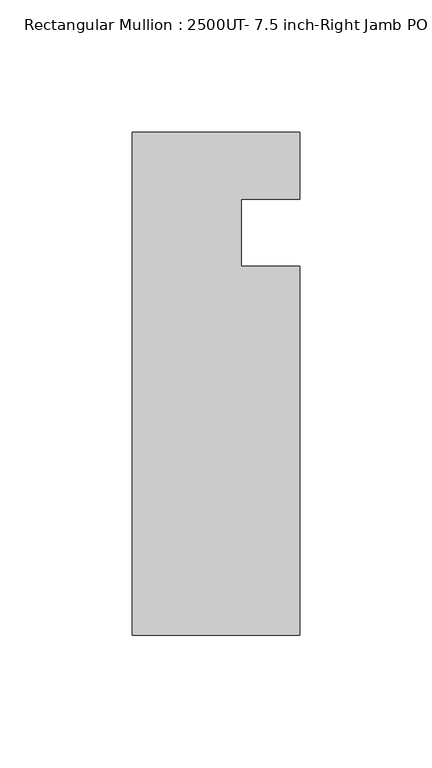
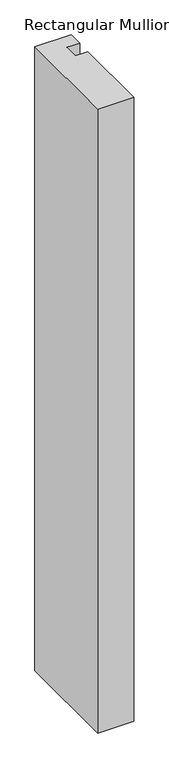
"""IFC4 building model written with IfcOpenShell, lengths in millimetres: member geometry, Rectangular Mullion : 2500UT- 7.5 inch-Right Jamb PO Mullion."""

from ifc_helpers import new_model, si_unit, frame, origin, place, context, project, spatial, polyline, outline, extrude, source, transform, mapped, element, save


def rectangular_mullion_2500ut_7_5_inch_right_jamb_po_mullion_acd332fc(model_context):
    return source(origin(), model_context, "Body", "SweptSolid", [
        extrude(outline(polyline([(31.75, -152.399995), (-31.75, -152.399995), (-31.75, 38.100005), (31.75, 38.100005), (31.75, 12.7217944), (9.525, 12.7217944), (9.525, -12.7), (31.75, -12.7), (31.75, -152.399995)])), frame((0.0, 0.0, -1154.90625), z_axis=(0.0, 0.0, 1.0), x_axis=(1.0, 0.0, 0.0)), (0.0, 0.0, 1.0), 1154.90625),
    ])


if __name__ == "__main__":
    model = new_model("IFC4")
    model_context = context("Model", 3, world=origin())
    ifc_project = project(units=[si_unit("LENGTHUNIT", "METRE", prefix="MILLI")], contexts=[model_context])
    site = spatial("IfcSite", under=ifc_project)
    building = spatial("IfcBuilding", under=site)
    placement = place(None, origin())
    rectangular_mullion_2500ut_7_5_inch_right_jamb_po_mullion_shape = rectangular_mullion_2500ut_7_5_inch_right_jamb_po_mullion_acd332fc(model_context)
    element("IfcMember", 1, ObjectType="Rectangular Mullion : 2500UT- 7.5 inch-Right Jamb PO Mullion", at=placement, inside=building, context=model_context, shape_type="MappedRepresentation", body=[
        mapped(rectangular_mullion_2500ut_7_5_inch_right_jamb_po_mullion_shape, transform((0.0, 0.0, 0.0), x_axis=(1.0, 0.0, 0.0), y_axis=(0.0, 1.0, 0.0), z_axis=(0.0, 0.0, 1.0))),
    ])
    save(model, "model.ifc")
